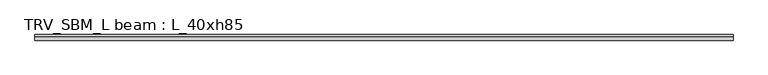
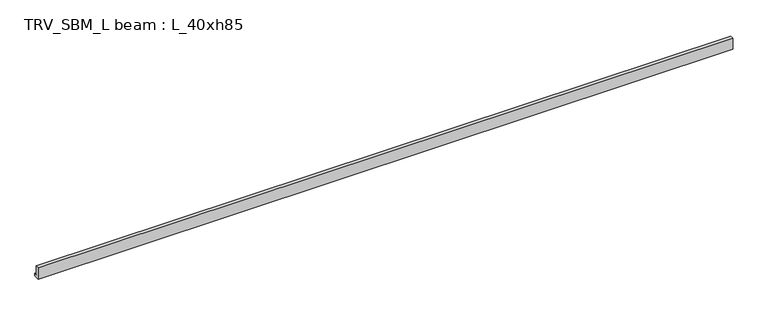
"""IFC4 building model written with IfcOpenShell, lengths in millimetres: beam geometry, TRV_SBM_L beam : L_40xh85."""

from ifc_helpers import new_model, si_unit, frame, origin, place, context, project, spatial, polyline, outline, extrude, source, transform, mapped, element, save


def trv_sbm_l_beam_l_40xh85_26c56d22(model_context):
    return source(origin(), model_context, "Body", "SweptSolid", [
        extrude(outline(polyline([(-115.0, -100.0), (-115.0, 750.0), (105.0, 750.0), (105.0, 100.0), (285.0, 100.0), (285.0, -100.0), (-115.0, -100.0)])), frame((-24750.0, 0.0, 0.0), z_axis=(1.0, 0.0, 0.0), x_axis=(0.0, 1.0, 0.0)), (0.0, 0.0, 1.0), 49485.7643251),
    ])


if __name__ == "__main__":
    model = new_model("IFC4")
    model_context = context("Model", 3, world=origin())
    ifc_project = project(units=[si_unit("LENGTHUNIT", "METRE", prefix="MILLI")], contexts=[model_context])
    site = spatial("IfcSite", under=ifc_project)
    building = spatial("IfcBuilding", under=site)
    placement = place(None, origin())
    trv_sbm_l_beam_l_40xh85_shape = trv_sbm_l_beam_l_40xh85_26c56d22(model_context)
    element("IfcBeam", 1, ObjectType="TRV_SBM_L beam : L_40xh85", at=placement, inside=building, context=model_context, shape_type="MappedRepresentation", body=[
        mapped(trv_sbm_l_beam_l_40xh85_shape, transform((0.0, 0.0, 0.0), x_axis=(1.0, 0.0, 0.0), y_axis=(0.0, 1.0, 0.0), z_axis=(0.0, 0.0, 1.0))),
    ])
    save(model, "model.ifc")
